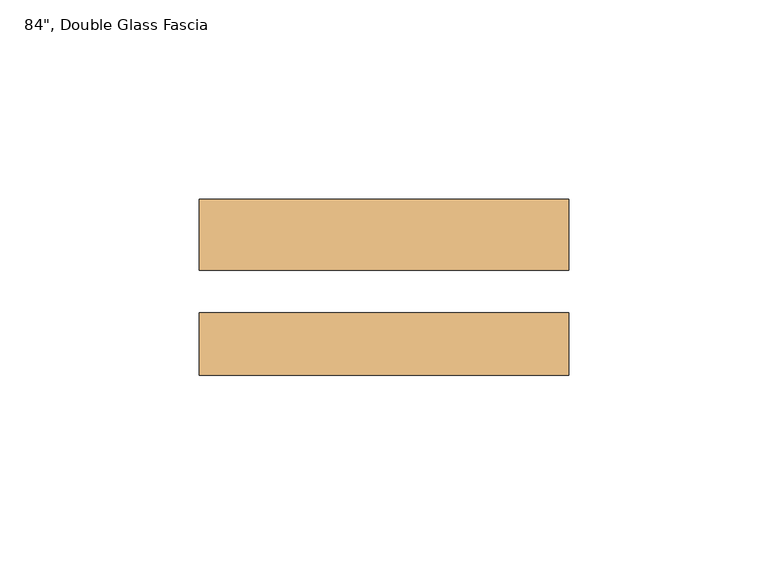
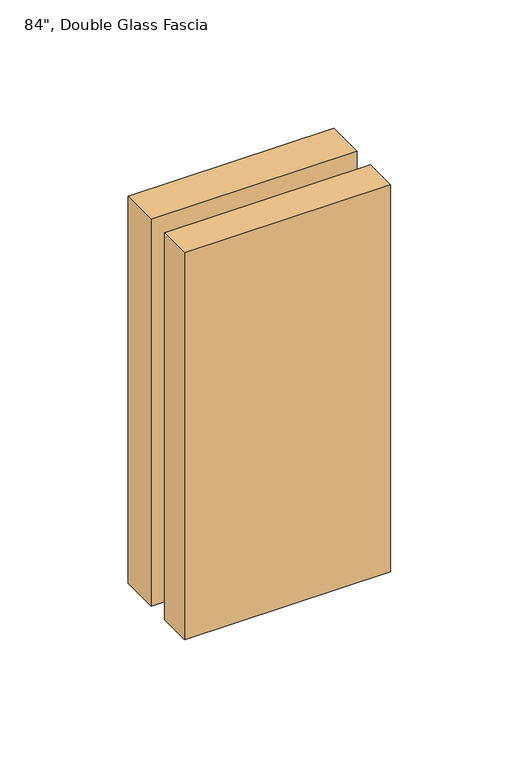
"""IFC4 building model written with IfcOpenShell, lengths in millimetres: door geometry."""

from ifc_helpers import new_model, si_unit, frame, origin, place, context, project, spatial, polyline, outline, extrude, source, transform, mapped, element, save


def door_779a3cdc(model_context):
    return source(origin(), model_context, "Body", "SweptSolid", [
        extrude(outline(polyline([(361.2769573, 31.7786201), (361.2769573, 49.6221201), (453.9869573, 49.6221201), (453.9869573, 31.7786201), (361.2769573, 31.7786201)])), frame((0.0, 0.0, 954.2742972), z_axis=(0.0, 0.0, 1.0), x_axis=(1.0, 0.0, 0.0)), (0.0, 0.0, 1.0), 184.15),
        extrude(outline(polyline([(361.2769573, 5.4515201), (361.2769573, 21.1741201), (453.9869573, 21.1741201), (453.9869573, 5.4515201), (361.2769573, 5.4515201)])), frame((0.0, 0.0, 954.2742972), z_axis=(0.0, 0.0, 1.0), x_axis=(1.0, 0.0, 0.0)), (0.0, 0.0, 1.0), 184.15),
    ])


if __name__ == "__main__":
    model = new_model("IFC4")
    model_context = context("Model", 3, world=origin())
    ifc_project = project(units=[si_unit("LENGTHUNIT", "METRE", prefix="MILLI")], contexts=[model_context])
    site = spatial("IfcSite", under=ifc_project)
    building = spatial("IfcBuilding", under=site)
    placement = place(None, origin())
    door_shape = door_779a3cdc(model_context)
    element("IfcDoor", 1, ObjectType="84\", Double Glass Fascia", at=placement, inside=building, context=model_context, shape_type="MappedRepresentation", body=[
        mapped(door_shape, transform((0.0, 0.0, 0.0), x_axis=(1.0, 0.0, 0.0), y_axis=(0.0, 1.0, 0.0), z_axis=(0.0, 0.0, 1.0))),
    ])
    save(model, "model.ifc")
